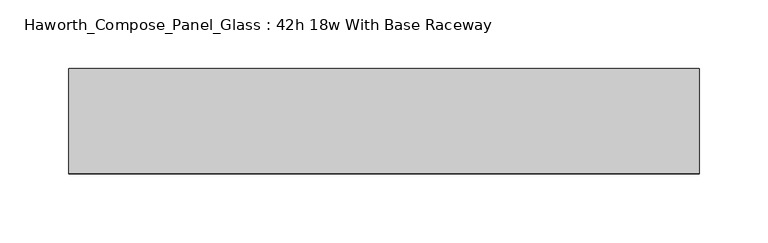
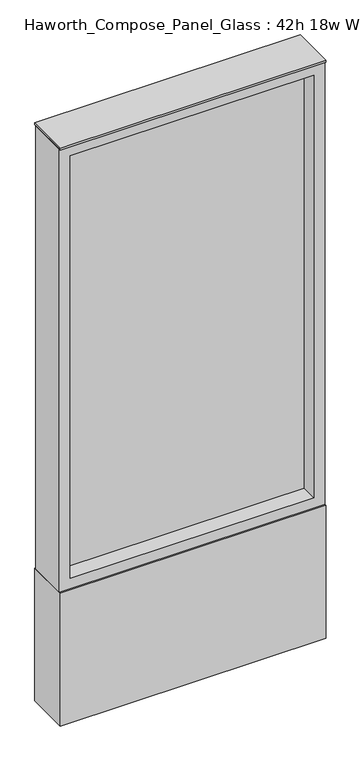
"""IFC4 building model written with IfcOpenShell, lengths in millimetres: furniture geometry, Haworth_Compose_Panel_Glass : 42h 18w With Base Raceway."""

import ifcopenshell
import ifcopenshell.guid

model = None  # the IFC model being written
_history = None  # IfcOwnerHistory: only IFC2X3 demands one
_inside = {}  # id of a spatial element -> (the spatial element, [elements in it])
_under = {}  # id of a project, library or spatial element -> (it, [spatial elements below it])
_declared = {}  # id of a project -> (the project, [libraries it declares])
_typed = {}  # id of a type object -> (the type object, [elements of that type])
_made_of = {}  # id of a material, layer set ... -> (it, [elements and type objects made of it])


def new_model(schema):
    """Start an empty IFC model of exactly this schema.

    Asked for "IFC4X3", IfcOpenShell would pick the latest addendum, in which some entities
    have other attributes; the version numbers below select the first issue.
    IFC2X3 requires an IfcOwnerHistory on every rooted entity: one is made here for all.
    """
    global model, _history
    if schema == "IFC4X3":
        model = ifcopenshell.file(schema_version=(4, 3, 0, 0))
    else:
        model = ifcopenshell.file(schema=schema)
    _inside.clear()
    _under.clear()
    _declared.clear()
    _typed.clear()
    _made_of.clear()
    _history = None
    if model.schema == "IFC2X3":
        org = make("IfcOrganization", Name="unknown")
        user = make(
            "IfcPersonAndOrganization",
            ThePerson=make("IfcPerson", FamilyName="unknown"),
            TheOrganization=org,
        )
        app = make(
            "IfcApplication",
            ApplicationDeveloper=org,
            Version="unknown",
            ApplicationFullName="unknown",
            ApplicationIdentifier="unknown",
        )
        _history = make(
            "IfcOwnerHistory",
            OwningUser=user,
            OwningApplication=app,
            ChangeAction="ADDED",
            CreationDate=0,
        )
    return model


def make(cls, **values):
    """One entity of the class cls with the attributes given. An attribute that is None is left unset."""
    return model.create_entity(
        cls, **{name: value for name, value in values.items() if value is not None}
    )


def rooted(cls, **values):
    """An entity with a GlobalId (a new one), such as an element, a storey or a relation."""
    return make(cls, GlobalId=ifcopenshell.guid.new(), OwnerHistory=_history, **values)


def si_unit(unit_type, name, prefix=None):
    """IfcSIUnit, for example si_unit("LENGTHUNIT", "METRE", prefix="MILLI")."""
    return make("IfcSIUnit", UnitType=unit_type, Prefix=prefix, Name=name)


def assignment(units):
    """IfcUnitAssignment: the units of a project."""
    return None if units is None else make("IfcUnitAssignment", Units=units)


def point(xyz):
    """IfcCartesianPoint."""
    return None if xyz is None else make("IfcCartesianPoint", Coordinates=xyz)


def direction(xyz):
    """IfcDirection."""
    return None if xyz is None else make("IfcDirection", DirectionRatios=xyz)


def frame(location, z_axis=None, x_axis=None):
    """IfcAxis2Placement3D, a coordinate frame: its origin and axes. An axis left out is left unset."""
    return make(
        "IfcAxis2Placement3D",
        Location=point(location),
        Axis=direction(z_axis),
        RefDirection=direction(x_axis),
    )


def frame_2d(location, x_axis=None):
    """IfcAxis2Placement2D, a coordinate frame in the plane: its origin and x axis."""
    return make(
        "IfcAxis2Placement2D", Location=point(location), RefDirection=direction(x_axis)
    )


def origin():
    """The frame at (0, 0, 0) with its axes left unset."""
    return frame((0.0, 0.0, 0.0))


def origin_with_axes():
    """The frame at (0, 0, 0) with the z axis (0, 0, 1) and the x axis (1, 0, 0) written out."""
    return frame((0.0, 0.0, 0.0), z_axis=(0.0, 0.0, 1.0), x_axis=(1.0, 0.0, 0.0))


def place(relative_to, where):
    """IfcLocalPlacement: puts the frame where relative to a parent placement (None: the world)."""
    return make(
        "IfcLocalPlacement", PlacementRelTo=relative_to, RelativePlacement=where
    )


def context(
    kind, dimensions, precision=None, world=None, true_north=None, identifier=None
):
    """IfcGeometricRepresentationContext, for example the 3D "Model" context."""
    return make(
        "IfcGeometricRepresentationContext",
        ContextIdentifier=identifier,
        ContextType=kind,
        CoordinateSpaceDimension=dimensions,
        Precision=precision,
        WorldCoordinateSystem=world,
        TrueNorth=true_north,
    )


def project(units=None, contexts=None):
    """IfcProject with its units and contexts."""
    return rooted(
        "IfcProject",
        Name="project",
        RepresentationContexts=contexts,
        UnitsInContext=assignment(units),
    )


def spatial(cls, under=None, at=None, **own):
    """A site, building, storey or space (cls), placed at a placement, below another one or the project."""
    s = rooted(cls, ObjectPlacement=at, **own)
    if under is not None:
        _under.setdefault(under.id(), (under, []))[1].append(s)
    return s


def polyline(points):
    """IfcPolyline through the points."""
    return make("IfcPolyline", Points=[point(p) for p in points])


def circle_curve(where, radius):
    """IfcCircle in the frame where."""
    return make("IfcCircle", Position=where, Radius=radius)


def trimmed(basis, trim1, trim2, sense, master):
    """IfcTrimmedCurve: the piece of a basis curve between two trims."""
    return make(
        "IfcTrimmedCurve",
        BasisCurve=basis,
        Trim1=trim1,
        Trim2=trim2,
        SenseAgreement=sense,
        MasterRepresentation=master,
    )


def segment(curve, same_sense, transition):
    """IfcCompositeCurveSegment."""
    return make(
        "IfcCompositeCurveSegment",
        Transition=transition,
        SameSense=same_sense,
        ParentCurve=curve,
    )


def composite_curve(segments, self_intersect=None):
    """IfcCompositeCurve: segments joined end to end."""
    return make("IfcCompositeCurve", Segments=segments, SelfIntersect=self_intersect)


def outline(outer, holes=None, kind="AREA"):
    """IfcArbitraryClosedProfileDef: a profile drawn as a closed curve; with holes, ...WithVoids."""
    if holes is None:
        return make("IfcArbitraryClosedProfileDef", ProfileType=kind, OuterCurve=outer)
    return make(
        "IfcArbitraryProfileDefWithVoids",
        ProfileType=kind,
        OuterCurve=outer,
        InnerCurves=holes,
    )


def extrude(swept, where, along, depth):
    """IfcExtrudedAreaSolid: the profile swept, set in the frame where, extruded along a direction by depth."""
    return make(
        "IfcExtrudedAreaSolid",
        SweptArea=swept,
        Position=where,
        ExtrudedDirection=direction(along),
        Depth=depth,
    )


def shape(context_of_items, identifier, shape_type, items):
    """IfcShapeRepresentation: the items that make up one representation, for example the "Body"."""
    return make(
        "IfcShapeRepresentation",
        ContextOfItems=context_of_items,
        RepresentationIdentifier=identifier,
        RepresentationType=shape_type,
        Items=items,
    )


def source(mapping_origin, context_of_items, identifier, shape_type, items):
    """IfcRepresentationMap: a shape defined once, which mapped items show again and again."""
    return make(
        "IfcRepresentationMap",
        MappingOrigin=mapping_origin,
        MappedRepresentation=shape(context_of_items, identifier, shape_type, items),
    )


def transform(
    local_origin,
    x_axis=None,
    y_axis=None,
    z_axis=None,
    scale=None,
    scale2=None,
    scale3=None,
    uniform=True,
):
    """IfcCartesianTransformationOperator3D, or its non-uniform kind. x_axis, y_axis, z_axis: its Axis1, 2, 3."""
    if uniform:
        return make(
            "IfcCartesianTransformationOperator3D",
            Axis1=direction(x_axis),
            Axis2=direction(y_axis),
            LocalOrigin=point(local_origin),
            Scale=scale,
            Axis3=direction(z_axis),
        )
    return make(
        "IfcCartesianTransformationOperator3DnonUniform",
        Axis1=direction(x_axis),
        Axis2=direction(y_axis),
        LocalOrigin=point(local_origin),
        Scale=scale,
        Axis3=direction(z_axis),
        Scale2=scale2,
        Scale3=scale3,
    )


def mapped(mapping_source, mapping_target):
    """IfcMappedItem: shows the shape of a source again, moved by a transform."""
    return make(
        "IfcMappedItem", MappingSource=mapping_source, MappingTarget=mapping_target
    )


def made_of(thing, what):
    """Note that an element or type object is made of a material, layer set ...; save() writes the relation."""
    if what is not None:
        _made_of.setdefault(what.id(), (what, []))[1].append(thing)
    return thing


def element(
    cls,
    number,
    at=None,
    inside=None,
    cuts=None,
    type_object=None,
    material=None,
    context=None,
    identifier="Body",
    shape_type=None,
    held_by="IfcProductDefinitionShape",
    body=None,
    shapes=None,
    **own,
):
    """One element of the class cls, such as IfcWall. Its Tag is "e" and its number.

    at: its placement. inside: the storey or other place that contains it. cuts: it is an
    opening in that element (IfcRelVoidsElement). A single representation is given by context,
    identifier, shape_type and body (its items); several are given by shapes. held_by: the class
    of the entity that holds the representations. save() writes the other relations.
    """
    e = rooted(cls, Tag="e%d" % number, ObjectPlacement=at, **own)
    if body is not None:
        shapes = [shape(context, identifier, shape_type, body)]
    if shapes is not None:
        e.Representation = make(held_by, Representations=shapes)
    if inside is not None:
        _inside.setdefault(inside.id(), (inside, []))[1].append(e)
    if cuts is not None:
        rooted(
            "IfcRelVoidsElement", RelatingBuildingElement=cuts, RelatedOpeningElement=e
        )
    if type_object is not None:
        _typed.setdefault(type_object.id(), (type_object, []))[1].append(e)
    return made_of(e, material)


def aggregate(whole, parts):
    """IfcRelAggregates: a whole, such as a stair, and the parts it consists of."""
    return rooted("IfcRelAggregates", RelatingObject=whole, RelatedObjects=parts)


def save(model, path):
    """Write the relations noted so far, then the file.

    IfcRelAggregates (storeys below a building ...), IfcRelContainedInSpatialStructure (elements
    in a storey), IfcRelDefinesByType, IfcRelAssociatesMaterial and IfcRelDeclares: one each for
    every whole, place, type object, material and project.
    """
    for whole, parts in _under.values():
        aggregate(whole, parts)
    for where, things in _inside.values():
        rooted(
            "IfcRelContainedInSpatialStructure",
            RelatedElements=things,
            RelatingStructure=where,
        )
    for kind, things in _typed.values():
        rooted("IfcRelDefinesByType", RelatedObjects=things, RelatingType=kind)
    for what, things in _made_of.values():
        rooted("IfcRelAssociatesMaterial", RelatedObjects=things, RelatingMaterial=what)
    for by, libraries in _declared.values():
        rooted("IfcRelDeclares", RelatingContext=by, RelatedDefinitions=libraries)
    model.write(path)


def haworth_compose_panel_glass_42h_18w_with_base_raceway_b143b0bb(model_context):
    return source(origin(), model_context, "Body", "SweptSolid", [
        extrude(outline(composite_curve([segment(trimmed(circle_curve(frame_2d((154.8402902, 0.0)), 12.7), [point((142.1402902, 0.0))], [point((167.5402902, 0.0))], False, "CARTESIAN"), True, "CONTINUOUS"), segment(trimmed(circle_curve(frame_2d((154.8402902, 0.0)), 12.7), [point((167.5402902, 0.0))], [point((142.1402902, 0.0))], False, "CARTESIAN"), True, "CONTINUOUS")], self_intersect=False)), origin_with_axes(), (0.0, 0.0, 1.0), 12.7),
        extrude(outline(composite_curve([segment(trimmed(circle_curve(frame_2d((-149.9597098, 0.0)), 12.7), [point((-162.6597098, 0.0))], [point((-137.2597098, 0.0))], False, "CARTESIAN"), True, "CONTINUOUS"), segment(trimmed(circle_curve(frame_2d((-149.9597098, 0.0)), 12.7), [point((-137.2597098, 0.0))], [point((-162.6597098, 0.0))], False, "CARTESIAN"), True, "CONTINUOUS")], self_intersect=False)), origin_with_axes(), (0.0, 0.0, 1.0), 12.7),
        extrude(outline(polyline([(211.9902902, -6.35), (-207.1097098, -6.35), (-207.1097098, 6.35), (211.9902902, 6.35), (211.9902902, -6.35)])), frame((0.0, 0.0, 273.05), z_axis=(0.0, 0.0, 1.0), x_axis=(1.0, 0.0, 0.0)), (0.0, 0.0, 1.0), 768.35),
        extrude(outline(polyline([(1060.45, -226.1597098), (254.0, -226.1597098), (254.0, 231.0402902), (1060.45, 231.0402902), (1060.45, -226.1597098)]), holes=[polyline([(1041.4, 211.9902902), (273.05, 211.9902902), (273.05, -207.1097098), (1041.4, -207.1097098), (1041.4, 211.9902902)])]), frame((0.0, -34.925, 0.0), z_axis=(0.0, 1.0, 0.0), x_axis=(0.0, 0.0, 1.0)), (0.0, 0.0, 1.0), 69.85),
        extrude(outline(polyline([(-226.1597098, 38.1), (231.0402902, 38.1), (231.0402902, -38.1), (-226.1597098, -38.1), (-226.1597098, 38.1)])), frame((0.0, 0.0, 12.7), z_axis=(0.0, 0.0, 1.0), x_axis=(1.0, 0.0, 0.0)), (0.0, 0.0, 1.0), 241.3),
        extrude(outline(polyline([(-226.1597098, -38.1), (-226.1597098, 38.1), (231.0402902, 38.1), (231.0402902, -38.1), (-226.1597098, -38.1)])), frame((0.0, 0.0, 1060.45), z_axis=(0.0, 0.0, 1.0), x_axis=(1.0, 0.0, 0.0)), (0.0, 0.0, 1.0), 3.175),
    ])


if __name__ == "__main__":
    model = new_model("IFC4")
    model_context = context("Model", 3, world=origin())
    ifc_project = project(units=[si_unit("LENGTHUNIT", "METRE", prefix="MILLI")], contexts=[model_context])
    site = spatial("IfcSite", under=ifc_project)
    building = spatial("IfcBuilding", under=site)
    placement = place(None, origin())
    haworth_compose_panel_glass_42h_18w_with_base_raceway_shape = haworth_compose_panel_glass_42h_18w_with_base_raceway_b143b0bb(model_context)
    element("IfcFurniture", 1, ObjectType="Haworth_Compose_Panel_Glass : 42h 18w With Base Raceway", at=placement, inside=building, context=model_context, shape_type="MappedRepresentation", body=[
        mapped(haworth_compose_panel_glass_42h_18w_with_base_raceway_shape, transform((0.0, 0.0, 0.0), x_axis=(1.0, 0.0, 0.0), y_axis=(0.0, 1.0, 0.0), z_axis=(0.0, 0.0, 1.0))),
    ])
    save(model, "model.ifc")
